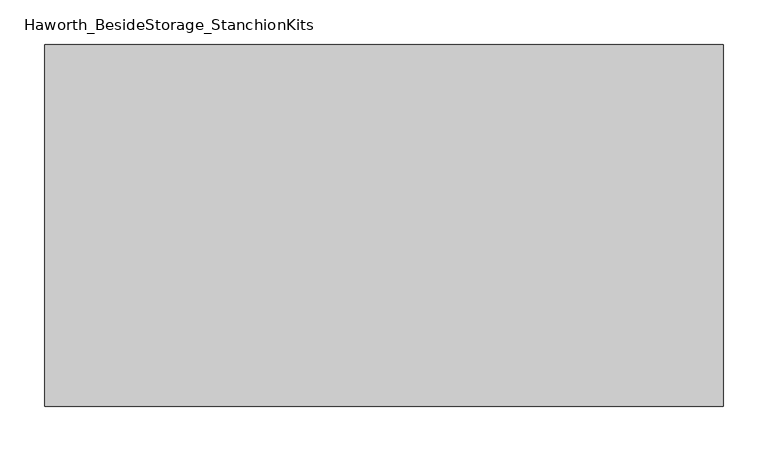
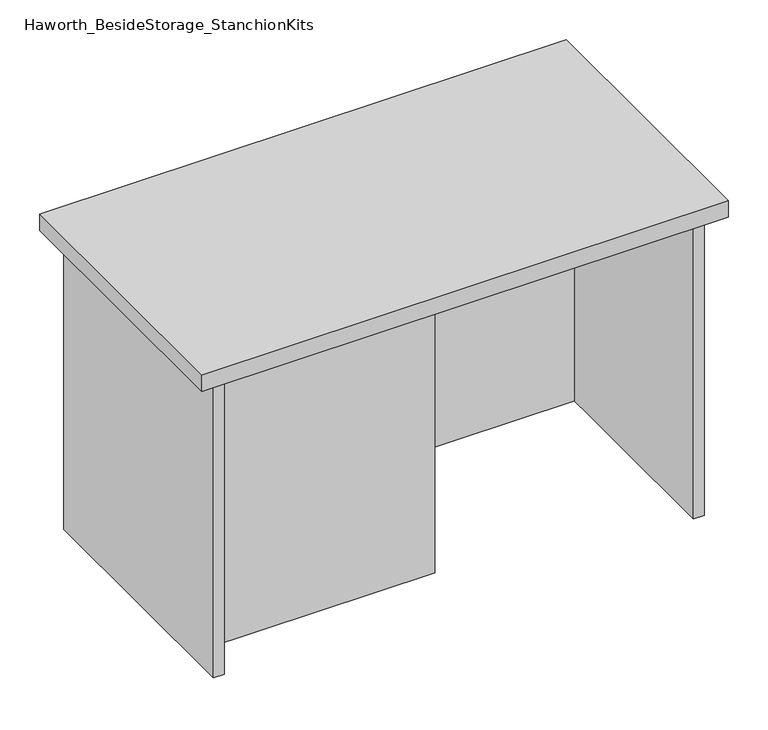
"""IFC4 building model written with IfcOpenShell, lengths in millimetres: furniture geometry, Haworth_BesideStorage_StanchionKits."""

from ifc_helpers import new_model, si_unit, frame, origin, place, context, project, spatial, polyline, outline, extrude, source, transform, mapped, element, save


def haworth_besidestorage_stanchionkits_efe7a91d(model_context):
    return source(origin(), model_context, "Body", "SweptSolid", [
        extrude(outline(polyline([(542.925, 0.0), (542.925, -406.4), (-219.075, -406.4), (-219.075, 0.0), (542.925, 0.0)])), frame((0.0, 0.0, 889.0), z_axis=(0.0, 0.0, 1.0), x_axis=(1.0, 0.0, 0.0)), (0.0, 0.0, 1.0), 25.4),
        extrude(outline(polyline([(161.925, -76.2), (501.65, -76.2), (501.65, -92.075), (161.925, -92.075), (161.925, -76.2)])), frame((0.0, 0.0, 431.8), z_axis=(0.0, 0.0, 1.0), x_axis=(1.0, 0.0, 0.0)), (0.0, 0.0, 1.0), 457.2),
        extrude(outline(polyline([(161.925, -314.325), (161.925, -330.2), (-177.8, -330.2), (-177.8, -314.325), (161.925, -314.325)])), frame((0.0, 0.0, 431.8), z_axis=(0.0, 0.0, 1.0), x_axis=(1.0, 0.0, 0.0)), (0.0, 0.0, 1.0), 457.2),
        extrude(outline(polyline([(517.525, -390.525), (501.65, -390.525), (501.65, -15.875), (517.525, -15.875), (517.525, -390.525)])), frame((0.0, 0.0, 431.8), z_axis=(0.0, 0.0, 1.0), x_axis=(1.0, 0.0, 0.0)), (0.0, 0.0, 1.0), 457.2),
        extrude(outline(polyline([(-177.8, -390.525), (-193.675, -390.525), (-193.675, -15.875), (-177.8, -15.875), (-177.8, -390.525)])), frame((0.0, 0.0, 431.8), z_axis=(0.0, 0.0, 1.0), x_axis=(1.0, 0.0, 0.0)), (0.0, 0.0, 1.0), 457.2),
    ])


if __name__ == "__main__":
    model = new_model("IFC4")
    model_context = context("Model", 3, world=origin())
    ifc_project = project(units=[si_unit("LENGTHUNIT", "METRE", prefix="MILLI")], contexts=[model_context])
    site = spatial("IfcSite", under=ifc_project)
    building = spatial("IfcBuilding", under=site)
    placement = place(None, origin())
    haworth_besidestorage_stanchionkits_shape = haworth_besidestorage_stanchionkits_efe7a91d(model_context)
    element("IfcFurniture", 1, ObjectType="Haworth_BesideStorage_StanchionKits", at=placement, inside=building, context=model_context, shape_type="MappedRepresentation", body=[
        mapped(haworth_besidestorage_stanchionkits_shape, transform((0.0, 0.0, 0.0), x_axis=(1.0, 0.0, 0.0), y_axis=(0.0, 1.0, 0.0), z_axis=(0.0, 0.0, 1.0))),
    ])
    save(model, "model.ifc")
